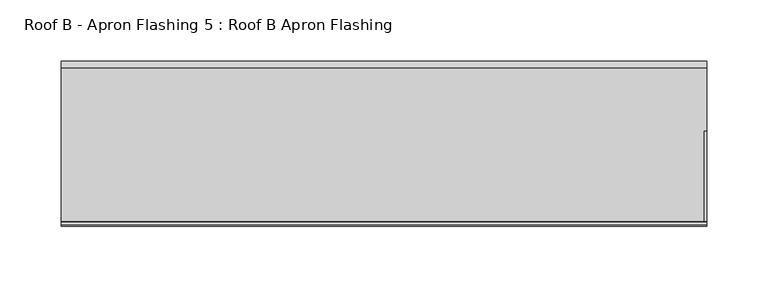
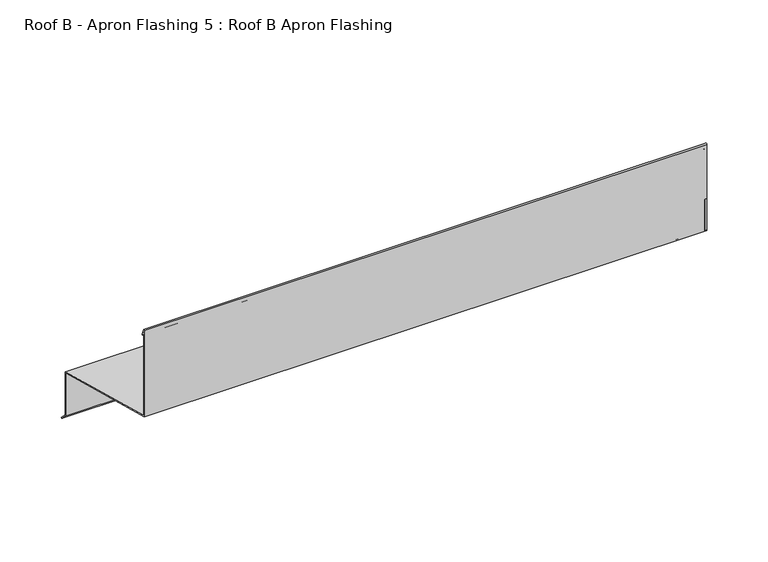
"""IFC4 building model written with IfcOpenShell, lengths in millimetres: proxy geometry, Roof B - Apron Flashing 5 : Roof B Apron Flashing."""

from ifc_helpers import new_model, si_unit, point, frame, frame_2d, origin, place, context, project, spatial, polyline, circle_curve, trimmed, segment, composite_curve, outline, extrude, source, transform, mapped, element, save


def roof_b_apron_flashing_5_roof_b_apron_flashing_b6b94ec3(model_context):
    return source(origin(), model_context, "Body", "SweptSolid", [
        extrude(outline(polyline([(673.2344915, -388.7215885), (627.9865096, -376.5974283), (627.9865096, -333.9762204), (673.2344915, -346.1003806), (673.2344915, -388.7215885)])), frame((13694.3541786, 0.0, 0.0), z_axis=(1.0, 0.0, 0.0), x_axis=(0.0, 1.0, 0.0)), (0.0, 0.0, 1.0), 2.0),
        extrude(outline(polyline([(622.9865096, -331.6011982), (544.8615096, -310.6676676), (544.8615096, -279.7934577), (622.9865096, -300.7269884), (622.9865096, -331.6011982)])), frame((13694.3541786, 0.0, 0.0), z_axis=(1.0, 0.0, 0.0), x_axis=(0.0, 1.0, 0.0)), (0.0, 0.0, 1.0), 2.0),
        extrude(outline(composite_curve([segment(polyline([(674.2344915, -345.3330536), (674.2344915, -388.338713), (680.2651268, -394.3693483), (679.55802, -395.0764551), (673.2344915, -388.7529266), (673.2344915, -346.1003806), (544.8615096, -311.7029438), (544.8615096, -225.8538686)]), True, "CONTINUOUS"), segment(trimmed(circle_curve(frame_2d((545.5405538, -225.8538686)), 0.6790442), [point((544.8615096, -225.8538686))], [point((546.1701526, -225.5994942))], False, "CARTESIAN"), True, "CONTINUOUS"), segment(polyline([(546.1701526, -225.5994942), (548.5846074, -231.5754797)]), True, "CONTINUOUS"), segment(trimmed(circle_curve(frame_2d((548.1210155, -231.762783)), 0.5), [point((548.5846074, -231.5754797))], [point((547.6574236, -231.9500863))], False, "CARTESIAN"), True, "CONTINUOUS"), segment(polyline([(547.6574236, -231.9500863), (545.8615096, -227.5050431), (545.8615096, -310.9356168), (674.2344915, -345.3330536)]), True, "CONTINUOUS")], self_intersect=False)), frame((13167.4791786, 0.0, 0.0), z_axis=(1.0, 0.0, 0.0), x_axis=(0.0, 1.0, 0.0)), (0.0, 0.0, 1.0), 528.875),
    ])


if __name__ == "__main__":
    model = new_model("IFC4")
    model_context = context("Model", 3, world=origin())
    ifc_project = project(units=[si_unit("LENGTHUNIT", "METRE", prefix="MILLI")], contexts=[model_context])
    site = spatial("IfcSite", under=ifc_project)
    building = spatial("IfcBuilding", under=site)
    placement = place(None, origin())
    roof_b_apron_flashing_5_roof_b_apron_flashing_shape = roof_b_apron_flashing_5_roof_b_apron_flashing_b6b94ec3(model_context)
    element("IfcBuildingElementProxy", 1, Name="Roof B - Apron Flashing 5 : Roof B Apron Flashing", ObjectType="Roof B - Apron Flashing 5 : Roof B Apron Flashing", at=placement, inside=building, context=model_context, shape_type="MappedRepresentation", body=[
        mapped(roof_b_apron_flashing_5_roof_b_apron_flashing_shape, transform((0.0, 0.0, 0.0), x_axis=(1.0, 0.0, 0.0), y_axis=(0.0, 1.0, 0.0), z_axis=(0.0, 0.0, 1.0))),
    ])
    save(model, "model.ifc")
